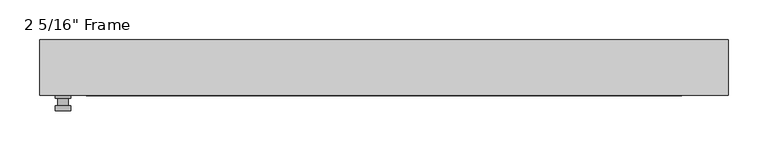
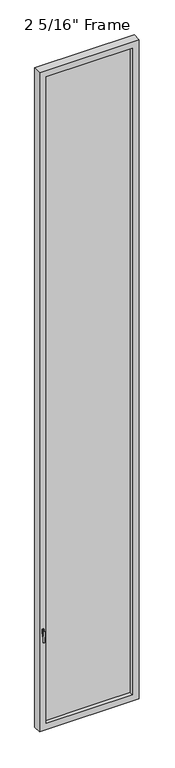
"""IFC4 building model written with IfcOpenShell, lengths in millimetres: plate geometry."""

from ifc_helpers import new_model, si_unit, frame, origin, place, context, project, spatial, polyline, circle_curve, outline, extrude, faceted_brep, source, transform, mapped, element, save
from ifc_brep_helpers import plane_surface, cylinder_surface, advanced_brep


def plate_3a51a76b(model_context):
    return source(origin(), model_context, "Body", "SolidModel", [
        advanced_brep(
        [(-394.81125, -34.925, 927.1), (-394.81125, -34.925, 901.7), (-413.86125, -34.925, 901.7), (-413.86125, -34.925, 927.1), (-397.98625, -47.625, 914.4), (-410.68625, -47.625, 914.4), (-410.68625, -38.1, 914.4), (-397.98625, -38.1, 914.4), (-394.81125, -47.625, 914.4), (-397.9902856, -47.625, 825.2736467), (-410.6822144, -47.625, 825.2736467), (-413.86125, -47.625, 914.4), (-394.81125, -53.975, 914.4), (-413.86125, -53.975, 914.4), (-410.6822144, -53.975, 825.2736467), (-397.9902856, -53.975, 825.2736467), (-394.81125, -38.1, 927.1), (-413.86125, -38.1, 927.1), (-413.86125, -38.1, 901.7), (-394.81125, -38.1, 901.7)],
        [
            (0, 1),
            (1, 2, circle_curve(frame((-404.33625, -34.925, 901.7), z_axis=(0.0, 1.0, 0.0), x_axis=(-1.0, 0.0, 0.0)), 9.525)),
            (2, 3),
            (3, 0, circle_curve(frame((-404.33625, -34.925, 927.1), z_axis=(0.0, 1.0, 0.0), x_axis=(-1.0, 0.0, 0.0)), 9.525)),
            (4, 5, circle_curve(frame((-404.33625, -47.625, 914.4), z_axis=(0.0, 1.0, 0.0), x_axis=(-1.0, 0.0, 0.0)), 6.35)),
            (5, 6),
            (6, 7, circle_curve(frame((-404.33625, -38.1, 914.4), z_axis=(0.0, -1.0, 0.0), x_axis=(-1.0, 0.0, 0.0)), 6.35)),
            (7, 4),
            (5, 4, circle_curve(frame((-404.33625, -47.625, 914.4), z_axis=(0.0, 1.0, 0.0), x_axis=(-1.0, 0.0, 0.0)), 6.35)),
            (7, 6, circle_curve(frame((-404.33625, -38.1, 914.4), z_axis=(0.0, -1.0, 0.0), x_axis=(-1.0, 0.0, 0.0)), 6.35)),
            (8, 9),
            (9, 10, circle_curve(frame((-404.33625, -47.625, 825.5), z_axis=(0.0, 1.0, 0.0), x_axis=(-1.0, 0.0, 0.0)), 6.35)),
            (10, 11),
            (11, 8, circle_curve(frame((-404.33625, -47.625, 914.4), z_axis=(0.0, 1.0, 0.0), x_axis=(-1.0, 0.0, 0.0)), 9.525)),
            (12, 13, circle_curve(frame((-404.33625, -53.975, 914.4), z_axis=(0.0, -1.0, 0.0), x_axis=(-1.0, 0.0, 0.0)), 9.525)),
            (13, 14),
            (14, 15, circle_curve(frame((-404.33625, -53.975, 825.5), z_axis=(0.0, -1.0, 0.0), x_axis=(-1.0, 0.0, 0.0)), 6.35)),
            (15, 12),
            (8, 12),
            (15, 9),
            (14, 10),
            (13, 11),
            (16, 17, circle_curve(frame((-404.33625, -38.1, 927.1), z_axis=(0.0, -1.0, 0.0), x_axis=(-1.0, 0.0, 0.0)), 9.525)),
            (17, 18),
            (18, 19, circle_curve(frame((-404.33625, -38.1, 901.7), z_axis=(0.0, -1.0, 0.0), x_axis=(-1.0, 0.0, 0.0)), 9.525)),
            (19, 16),
            (0, 16),
            (19, 1),
            (18, 2),
            (17, 3),
        ],
        [
            plane_surface(frame((-410.68625, -34.925, 914.4), z_axis=(0.0, 1.0, 0.0), x_axis=(0.0, 0.0, 1.0))),
            cylinder_surface(frame((-404.33625, -47.625, 914.4), z_axis=(0.0, 1.0, 0.0), x_axis=(-1.0, 0.0, 0.0)), 6.35),
            plane_surface(frame((-394.81125, -47.625, 914.4), z_axis=(0.0, 1.0000000000000002, 0.0), x_axis=(-0.03564619348186888, 0.0, -0.9993644724975235))),
            plane_surface(frame((-394.81125, -53.975, 914.4), z_axis=(0.0, -1.0000000000000002, 0.0), x_axis=(0.03564619348186888, 0.0, 0.9993644724975235))),
            plane_surface(frame((-394.81125, -47.625, 914.4), z_axis=(0.9993644724975235, 0.0, -0.03564619348186888), x_axis=(0.0, -1.0, 0.0))),
            cylinder_surface(frame((-404.33625, -53.975, 825.5), z_axis=(0.0, 1.0, 0.0), x_axis=(-1.0, 0.0, 0.0)), 6.35),
            plane_surface(frame((-410.6822144, -47.625, 825.2736467), z_axis=(-0.9993644724975228, 0.0, -0.03564619348188612), x_axis=(0.0, -1.0, 0.0))),
            cylinder_surface(frame((-404.33625, -53.975, 914.4), z_axis=(0.0, 1.0, 0.0), x_axis=(-1.0, 0.0, 0.0)), 9.525),
            plane_surface(frame((-394.81125, -38.1, 901.7), z_axis=(0.0, -1.0, 0.0), x_axis=(0.0, 0.0, 1.0))),
            plane_surface(frame((-394.81125, -34.925, 927.1), z_axis=(1.0, 0.0, 0.0), x_axis=(0.0, -1.0, 0.0))),
            cylinder_surface(frame((-404.33625, -38.1, 901.7), z_axis=(0.0, 1.0, 0.0), x_axis=(-1.0, 0.0, 0.0)), 9.525),
            plane_surface(frame((-413.86125, -34.925, 901.7), z_axis=(-1.0, 0.0, 0.0), x_axis=(0.0, -1.0, 0.0))),
            cylinder_surface(frame((-404.33625, -38.1, 927.1), z_axis=(0.0, 1.0, 0.0), x_axis=(-1.0, 0.0, 0.0)), 9.525),
        ],
        [
            (0, [[1, 2, 3, 4]]),
            (1, [[5, 6, 7, 8]]),
            (1, [[9, -8, 10, -6]]),
            (2, [[11, 12, 13, 14], [-5, -9]]),
            (3, [[15, 16, 17, 18]]),
            (4, [[-11, 19, -18, 20]]),
            (5, [[-12, -20, -17, 21]]),
            (6, [[-13, -21, -16, 22]]),
            (7, [[-14, -22, -15, -19]]),
            (8, [[23, 24, 25, 26], [-7, -10]]),
            (9, [[-1, 27, -26, 28]]),
            (10, [[-2, -28, -25, 29]]),
            (11, [[-3, -29, -24, 30]]),
            (12, [[-4, -30, -23, -27]]),
        ],
    ),
        faceted_brep([(-433.705, -34.925, 0.0), (-433.705, 34.925, 0.0), (433.705, 34.925, 0.0), (433.705, -34.925, 0.0), (-374.9675, 34.925, 6000.75), (-374.9675, 22.225, 6000.75), (-374.9675, 22.225, 58.7375), (-374.9675, 34.925, 58.7375), (387.6675, 22.225, 6013.45), (-387.6675, 22.225, 6013.45), (-387.6675, 22.225, 46.0375), (387.6675, 22.225, 46.0375), (374.9675, 22.225, 6000.75), (374.9675, 22.225, 58.7375), (-387.6675, -1.5875, 6013.45), (-387.6675, -1.5875, 46.0375), (387.6675, -1.5875, 6013.45), (387.6675, -1.5875, 46.0375), (-374.9675, -1.5875, 6000.75), (-374.9675, -1.5875, 58.7375), (374.9675, -1.5875, 58.7375), (374.9675, -1.5875, 6000.75), (-374.9675, -34.925, 6000.75), (-374.9675, -34.925, 58.7375), (433.705, -34.925, 6059.4875), (-433.705, -34.925, 6059.4875), (374.9675, -34.925, 6000.75), (374.9675, -34.925, 58.7375), (-433.705, 34.925, 6059.4875), (433.705, 34.925, 6059.4875), (374.9675, 34.925, 58.7375), (374.9675, 34.925, 6000.75)], [[[0, 1, 2, 3]], [[4, 5, 6, 7]], [[8, 9, 10, 11], [5, 12, 13, 6]], [[10, 9, 14, 15]], [[14, 16, 17, 15], [18, 19, 20, 21]], [[18, 22, 23, 19]], [[0, 3, 24, 25], [22, 26, 27, 23]], [[1, 0, 25, 28]], [[2, 1, 28, 29], [4, 7, 30, 31]], [[5, 4, 31, 12]], [[9, 8, 16, 14]], [[18, 21, 26, 22]], [[25, 24, 29, 28]], [[12, 31, 30, 13]], [[17, 16, 8, 11]], [[26, 21, 20, 27]], [[24, 3, 2, 29]], [[23, 27, 20, 19]], [[11, 10, 15, 17]], [[6, 13, 30, 7]]]),
        extrude(outline(polyline([(387.6675, -1.5875), (-387.6675, -1.5875), (-387.6675, 22.225), (387.6675, 22.225), (387.6675, -1.5875)])), frame((0.0, 0.0, 46.0375), z_axis=(0.0, 0.0, 1.0), x_axis=(1.0, 0.0, 0.0)), (0.0, 0.0, 1.0), 5967.4125),
    ])


if __name__ == "__main__":
    model = new_model("IFC4")
    model_context = context("Model", 3, world=origin())
    ifc_project = project(units=[si_unit("LENGTHUNIT", "METRE", prefix="MILLI")], contexts=[model_context])
    site = spatial("IfcSite", under=ifc_project)
    building = spatial("IfcBuilding", under=site)
    placement = place(None, origin())
    plate_shape = plate_3a51a76b(model_context)
    element("IfcPlate", 1, ObjectType="2 5/16\" Frame", at=placement, inside=building, context=model_context, shape_type="MappedRepresentation", body=[
        mapped(plate_shape, transform((0.0, 0.0, 0.0), x_axis=(1.0, 0.0, 0.0), y_axis=(0.0, 1.0, 0.0), z_axis=(0.0, 0.0, 1.0))),
    ])
    save(model, "model.ifc")
